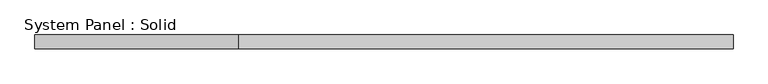
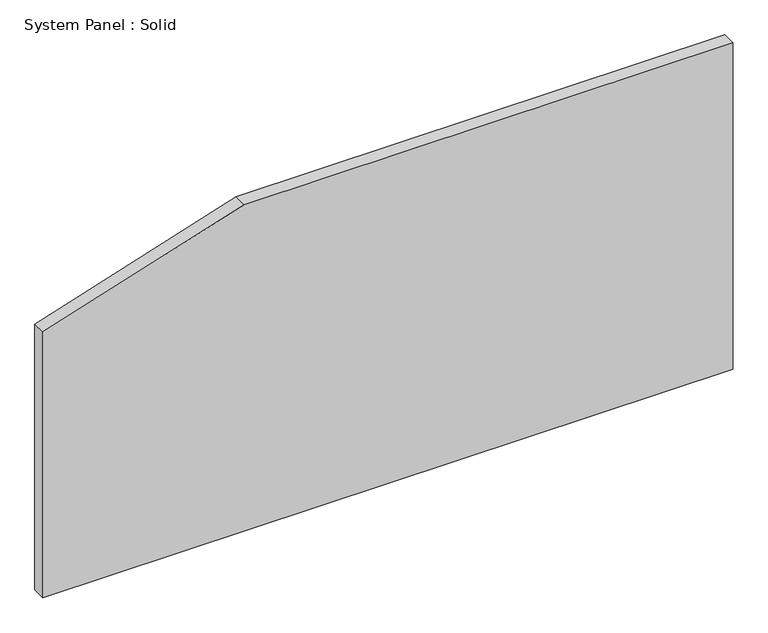
"""IFC4 building model written with IfcOpenShell, lengths in millimetres: plate geometry, System Panel : Solid."""

from ifc_helpers import new_model, si_unit, frame, origin, place, context, project, spatial, polyline, outline, extrude, source, transform, mapped, element, save


def system_panel_solid_fae7286a(model_context):
    return source(origin(), model_context, "Body", "SweptSolid", [
        extrude(outline(polyline([(0.0, -1500.0), (0.0, 1500.0), (1500.0, 1500.0), (1500.0, -624.9774002), (1221.8474536, -1500.0), (0.0, -1500.0)])), frame((0.0, -10.5, 0.0), z_axis=(0.0, 1.0, 0.0), x_axis=(0.0, 0.0, 1.0)), (0.0, 0.0, 1.0), 60.0),
    ])


if __name__ == "__main__":
    model = new_model("IFC4")
    model_context = context("Model", 3, world=origin())
    ifc_project = project(units=[si_unit("LENGTHUNIT", "METRE", prefix="MILLI")], contexts=[model_context])
    site = spatial("IfcSite", under=ifc_project)
    building = spatial("IfcBuilding", under=site)
    placement = place(None, origin())
    system_panel_solid_shape = system_panel_solid_fae7286a(model_context)
    element("IfcPlate", 1, ObjectType="System Panel : Solid", at=placement, inside=building, context=model_context, shape_type="MappedRepresentation", body=[
        mapped(system_panel_solid_shape, transform((0.0, 0.0, 0.0), x_axis=(1.0, 0.0, 0.0), y_axis=(0.0, 1.0, 0.0), z_axis=(0.0, 0.0, 1.0))),
    ])
    save(model, "model.ifc")
